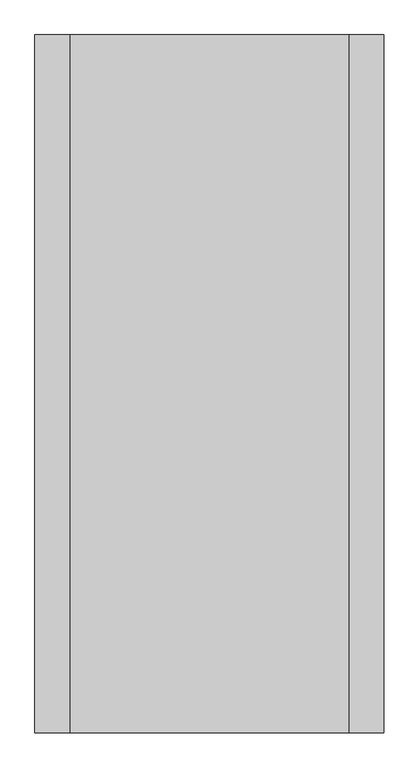
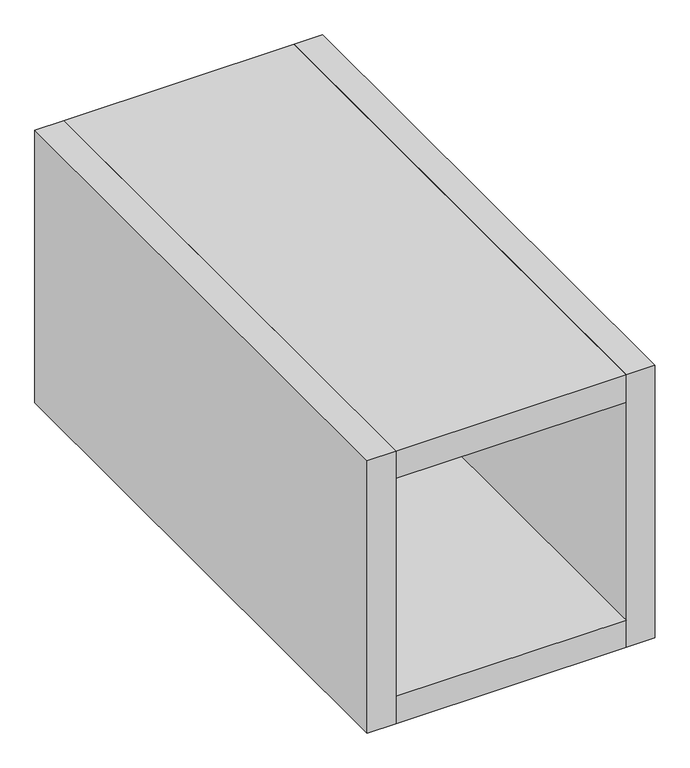
"""IFC4 building model written with IfcOpenShell, lengths in millimetres: beam geometry."""

from ifc_helpers import new_model, si_unit, frame, origin, place, context, project, spatial, polyline, outline, extrude, source, transform, mapped, element, save


def beam_a4ba9a76(model_context):
    return source(origin(), model_context, "Body", "SweptSolid", [
        extrude(outline(polyline([(13906.3955952, -34802.6148653), (13956.3955952, -34802.6148653), (13956.3955952, -35802.6148653), (13906.3955952, -35802.6148653), (13906.3955952, -34802.6148653)])), frame((0.0, 0.0, -95.0), z_axis=(0.0, 0.0, 1.0), x_axis=(1.0, 0.0, 0.0)), (0.0, 0.0, 1.0), 500.0),
        extrude(outline(polyline([(13456.3955952, -34802.6148653), (13506.3955952, -34802.6148653), (13506.3955952, -35802.6148653), (13456.3955952, -35802.6148653), (13456.3955952, -34802.6148653)])), frame((0.0, 0.0, -95.0), z_axis=(0.0, 0.0, 1.0), x_axis=(1.0, 0.0, 0.0)), (0.0, 0.0, 1.0), 500.0),
        extrude(outline(polyline([(13506.3955952, -34802.6148653), (13906.3955952, -34802.6148653), (13906.3955952, -35802.6148653), (13506.3955952, -35802.6148653), (13506.3955952, -34802.6148653)])), frame((0.0, 0.0, 355.0), z_axis=(0.0, 0.0, 1.0), x_axis=(1.0, 0.0, 0.0)), (0.0, 0.0, 1.0), 50.0),
        extrude(outline(polyline([(13506.3955952, -34802.6148653), (13906.3955952, -34802.6148653), (13906.3955952, -35802.6148653), (13506.3955952, -35802.6148653), (13506.3955952, -34802.6148653)])), frame((0.0, 0.0, -95.0), z_axis=(0.0, 0.0, 1.0), x_axis=(1.0, 0.0, 0.0)), (0.0, 0.0, 1.0), 50.0),
    ])


if __name__ == "__main__":
    model = new_model("IFC4")
    model_context = context("Model", 3, world=origin())
    ifc_project = project(units=[si_unit("LENGTHUNIT", "METRE", prefix="MILLI")], contexts=[model_context])
    site = spatial("IfcSite", under=ifc_project)
    building = spatial("IfcBuilding", under=site)
    placement = place(None, origin())
    beam_shape = beam_a4ba9a76(model_context)
    element("IfcBeam", 1, at=placement, inside=building, context=model_context, shape_type="MappedRepresentation", body=[
        mapped(beam_shape, transform((0.0, 0.0, 0.0), x_axis=(1.0, 0.0, 0.0), y_axis=(0.0, 1.0, 0.0), z_axis=(0.0, 0.0, 1.0))),
    ])
    save(model, "model.ifc")
